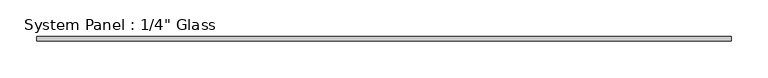
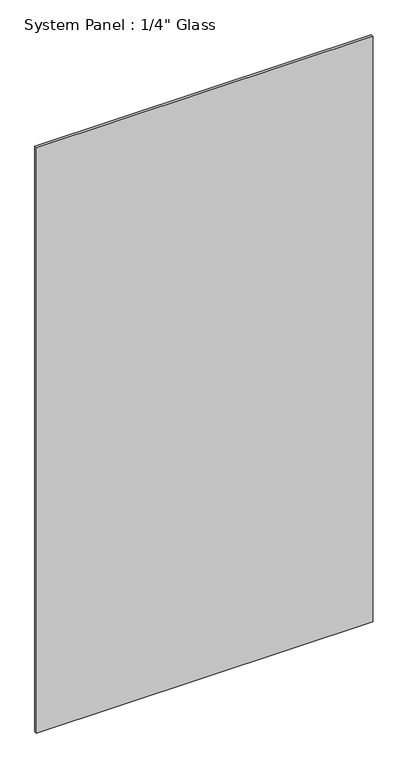
"""IFC4 building model written with IfcOpenShell, lengths in millimetres: plate geometry."""

from ifc_helpers import new_model, si_unit, origin, origin_with_axes, place, context, project, spatial, polyline, outline, extrude, source, transform, mapped, element, save


def plate_2f216235(model_context):
    return source(origin(), model_context, "Body", "SweptSolid", [
        extrude(outline(polyline([(473.075, -3.175), (-473.075, -3.175), (-473.075, 3.175), (473.075, 3.175), (473.075, -3.175)])), origin_with_axes(), (0.0, 0.0, 1.0), 1739.9),
    ])


if __name__ == "__main__":
    model = new_model("IFC4")
    model_context = context("Model", 3, world=origin())
    ifc_project = project(units=[si_unit("LENGTHUNIT", "METRE", prefix="MILLI")], contexts=[model_context])
    site = spatial("IfcSite", under=ifc_project)
    building = spatial("IfcBuilding", under=site)
    placement = place(None, origin())
    plate_shape = plate_2f216235(model_context)
    element("IfcPlate", 1, ObjectType="System Panel : 1/4\" Glass", at=placement, inside=building, context=model_context, shape_type="MappedRepresentation", body=[
        mapped(plate_shape, transform((0.0, 0.0, 0.0), x_axis=(1.0, 0.0, 0.0), y_axis=(0.0, 1.0, 0.0), z_axis=(0.0, 0.0, 1.0))),
    ])
    save(model, "model.ifc")
